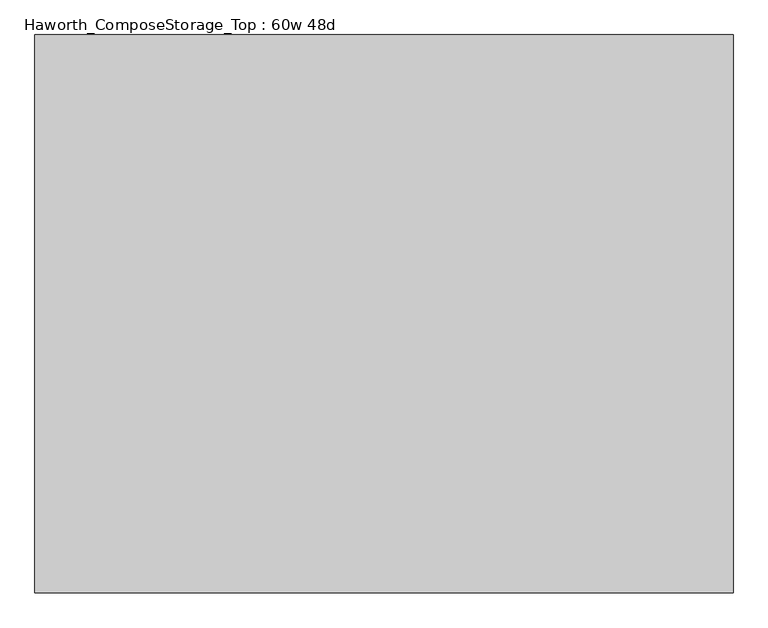
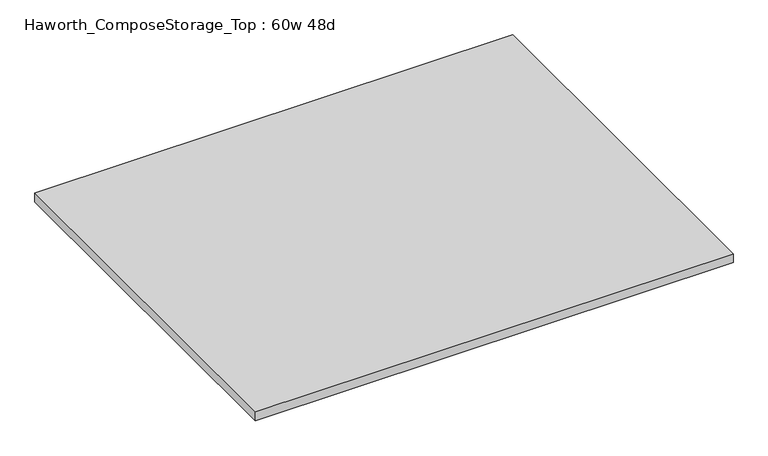
"""IFC4 building model written with IfcOpenShell, lengths in millimetres: furniture geometry, Haworth_ComposeStorage_Top : 60w 48d."""

from ifc_helpers import new_model, si_unit, frame, origin, place, context, project, spatial, polyline, outline, extrude, source, transform, mapped, element, save


def haworth_composestorage_top_60w_48d_f62dbd42(model_context):
    return source(origin(), model_context, "Body", "SweptSolid", [
        extrude(outline(polyline([(762.0, 609.6), (762.0, -609.6), (-762.0, -609.6), (-762.0, 609.6), (762.0, 609.6)])), frame((0.0, 0.0, 706.4375), z_axis=(0.0, 0.0, 1.0), x_axis=(1.0, 0.0, 0.0)), (0.0, 0.0, 1.0), 30.1625),
    ])


if __name__ == "__main__":
    model = new_model("IFC4")
    model_context = context("Model", 3, world=origin())
    ifc_project = project(units=[si_unit("LENGTHUNIT", "METRE", prefix="MILLI")], contexts=[model_context])
    site = spatial("IfcSite", under=ifc_project)
    building = spatial("IfcBuilding", under=site)
    placement = place(None, origin())
    haworth_composestorage_top_60w_48d_shape = haworth_composestorage_top_60w_48d_f62dbd42(model_context)
    element("IfcFurniture", 1, ObjectType="Haworth_ComposeStorage_Top : 60w 48d", at=placement, inside=building, context=model_context, shape_type="MappedRepresentation", body=[
        mapped(haworth_composestorage_top_60w_48d_shape, transform((0.0, 0.0, 0.0), x_axis=(1.0, 0.0, 0.0), y_axis=(0.0, 1.0, 0.0), z_axis=(0.0, 0.0, 1.0))),
    ])
    save(model, "model.ifc")
